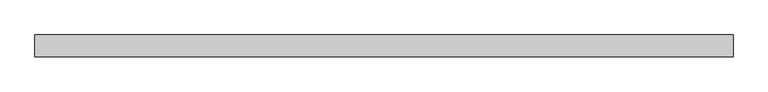
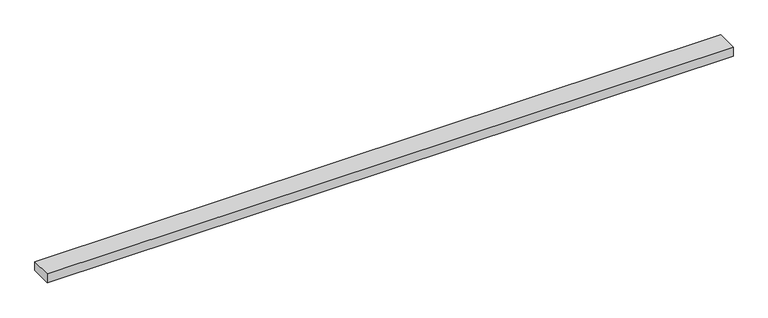
"""IFC4 building model written with IfcOpenShell, lengths in millimetres: beam geometry."""

from ifc_helpers import new_model, si_unit, frame, origin, place, context, project, spatial, polyline, outline, extrude, source, transform, mapped, element, save


def beam_15e6b5fa(model_context):
    return source(origin(), model_context, "Body", "SweptSolid", [
        extrude(outline(polyline([(826.7815989, 25.0), (826.7815989, -25.0), (-771.9241056, -25.0), (-771.9241056, 25.0), (826.7815989, 25.0)])), frame((0.0, 0.0, -11.0), z_axis=(0.0, 0.0, 1.0), x_axis=(1.0, 0.0, 0.0)), (0.0, 0.0, 1.0), 22.0),
    ])


if __name__ == "__main__":
    model = new_model("IFC4")
    model_context = context("Model", 3, world=origin())
    ifc_project = project(units=[si_unit("LENGTHUNIT", "METRE", prefix="MILLI")], contexts=[model_context])
    site = spatial("IfcSite", under=ifc_project)
    building = spatial("IfcBuilding", under=site)
    placement = place(None, origin())
    beam_shape = beam_15e6b5fa(model_context)
    element("IfcBeam", 1, at=placement, inside=building, context=model_context, shape_type="MappedRepresentation", body=[
        mapped(beam_shape, transform((0.0, 0.0, 0.0), x_axis=(1.0, 0.0, 0.0), y_axis=(0.0, 1.0, 0.0), z_axis=(0.0, 0.0, 1.0))),
    ])
    save(model, "model.ifc")
